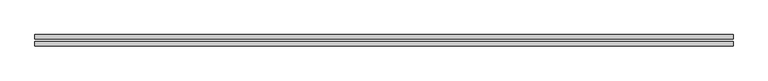
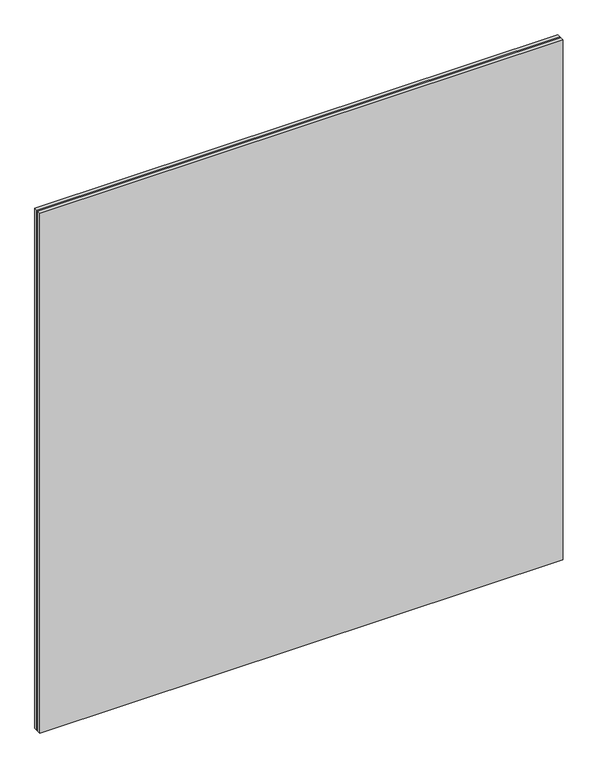
"""IFC4 building model written with IfcOpenShell, lengths in millimetres: plate geometry."""

import ifcopenshell
import ifcopenshell.guid

model = None  # the IFC model being written
_history = None  # IfcOwnerHistory: only IFC2X3 demands one
_inside = {}  # id of a spatial element -> (the spatial element, [elements in it])
_under = {}  # id of a project, library or spatial element -> (it, [spatial elements below it])
_declared = {}  # id of a project -> (the project, [libraries it declares])
_typed = {}  # id of a type object -> (the type object, [elements of that type])
_made_of = {}  # id of a material, layer set ... -> (it, [elements and type objects made of it])


def new_model(schema):
    """Start an empty IFC model of exactly this schema.

    Asked for "IFC4X3", IfcOpenShell would pick the latest addendum, in which some entities
    have other attributes; the version numbers below select the first issue.
    IFC2X3 requires an IfcOwnerHistory on every rooted entity: one is made here for all.
    """
    global model, _history
    if schema == "IFC4X3":
        model = ifcopenshell.file(schema_version=(4, 3, 0, 0))
    else:
        model = ifcopenshell.file(schema=schema)
    _inside.clear()
    _under.clear()
    _declared.clear()
    _typed.clear()
    _made_of.clear()
    _history = None
    if model.schema == "IFC2X3":
        org = make("IfcOrganization", Name="unknown")
        user = make(
            "IfcPersonAndOrganization",
            ThePerson=make("IfcPerson", FamilyName="unknown"),
            TheOrganization=org,
        )
        app = make(
            "IfcApplication",
            ApplicationDeveloper=org,
            Version="unknown",
            ApplicationFullName="unknown",
            ApplicationIdentifier="unknown",
        )
        _history = make(
            "IfcOwnerHistory",
            OwningUser=user,
            OwningApplication=app,
            ChangeAction="ADDED",
            CreationDate=0,
        )
    return model


def make(cls, **values):
    """One entity of the class cls with the attributes given. An attribute that is None is left unset."""
    return model.create_entity(
        cls, **{name: value for name, value in values.items() if value is not None}
    )


def rooted(cls, **values):
    """An entity with a GlobalId (a new one), such as an element, a storey or a relation."""
    return make(cls, GlobalId=ifcopenshell.guid.new(), OwnerHistory=_history, **values)


def si_unit(unit_type, name, prefix=None):
    """IfcSIUnit, for example si_unit("LENGTHUNIT", "METRE", prefix="MILLI")."""
    return make("IfcSIUnit", UnitType=unit_type, Prefix=prefix, Name=name)


def assignment(units):
    """IfcUnitAssignment: the units of a project."""
    return None if units is None else make("IfcUnitAssignment", Units=units)


def point(xyz):
    """IfcCartesianPoint."""
    return None if xyz is None else make("IfcCartesianPoint", Coordinates=xyz)


def direction(xyz):
    """IfcDirection."""
    return None if xyz is None else make("IfcDirection", DirectionRatios=xyz)


def frame(location, z_axis=None, x_axis=None):
    """IfcAxis2Placement3D, a coordinate frame: its origin and axes. An axis left out is left unset."""
    return make(
        "IfcAxis2Placement3D",
        Location=point(location),
        Axis=direction(z_axis),
        RefDirection=direction(x_axis),
    )


def origin():
    """The frame at (0, 0, 0) with its axes left unset."""
    return frame((0.0, 0.0, 0.0))


def origin_with_axes():
    """The frame at (0, 0, 0) with the z axis (0, 0, 1) and the x axis (1, 0, 0) written out."""
    return frame((0.0, 0.0, 0.0), z_axis=(0.0, 0.0, 1.0), x_axis=(1.0, 0.0, 0.0))


def place(relative_to, where):
    """IfcLocalPlacement: puts the frame where relative to a parent placement (None: the world)."""
    return make(
        "IfcLocalPlacement", PlacementRelTo=relative_to, RelativePlacement=where
    )


def context(
    kind, dimensions, precision=None, world=None, true_north=None, identifier=None
):
    """IfcGeometricRepresentationContext, for example the 3D "Model" context."""
    return make(
        "IfcGeometricRepresentationContext",
        ContextIdentifier=identifier,
        ContextType=kind,
        CoordinateSpaceDimension=dimensions,
        Precision=precision,
        WorldCoordinateSystem=world,
        TrueNorth=true_north,
    )


def project(units=None, contexts=None):
    """IfcProject with its units and contexts."""
    return rooted(
        "IfcProject",
        Name="project",
        RepresentationContexts=contexts,
        UnitsInContext=assignment(units),
    )


def spatial(cls, under=None, at=None, **own):
    """A site, building, storey or space (cls), placed at a placement, below another one or the project."""
    s = rooted(cls, ObjectPlacement=at, **own)
    if under is not None:
        _under.setdefault(under.id(), (under, []))[1].append(s)
    return s


def polyline(points):
    """IfcPolyline through the points."""
    return make("IfcPolyline", Points=[point(p) for p in points])


def outline(outer, holes=None, kind="AREA"):
    """IfcArbitraryClosedProfileDef: a profile drawn as a closed curve; with holes, ...WithVoids."""
    if holes is None:
        return make("IfcArbitraryClosedProfileDef", ProfileType=kind, OuterCurve=outer)
    return make(
        "IfcArbitraryProfileDefWithVoids",
        ProfileType=kind,
        OuterCurve=outer,
        InnerCurves=holes,
    )


def extrude(swept, where, along, depth):
    """IfcExtrudedAreaSolid: the profile swept, set in the frame where, extruded along a direction by depth."""
    return make(
        "IfcExtrudedAreaSolid",
        SweptArea=swept,
        Position=where,
        ExtrudedDirection=direction(along),
        Depth=depth,
    )


def shape(context_of_items, identifier, shape_type, items):
    """IfcShapeRepresentation: the items that make up one representation, for example the "Body"."""
    return make(
        "IfcShapeRepresentation",
        ContextOfItems=context_of_items,
        RepresentationIdentifier=identifier,
        RepresentationType=shape_type,
        Items=items,
    )


def source(mapping_origin, context_of_items, identifier, shape_type, items):
    """IfcRepresentationMap: a shape defined once, which mapped items show again and again."""
    return make(
        "IfcRepresentationMap",
        MappingOrigin=mapping_origin,
        MappedRepresentation=shape(context_of_items, identifier, shape_type, items),
    )


def transform(
    local_origin,
    x_axis=None,
    y_axis=None,
    z_axis=None,
    scale=None,
    scale2=None,
    scale3=None,
    uniform=True,
):
    """IfcCartesianTransformationOperator3D, or its non-uniform kind. x_axis, y_axis, z_axis: its Axis1, 2, 3."""
    if uniform:
        return make(
            "IfcCartesianTransformationOperator3D",
            Axis1=direction(x_axis),
            Axis2=direction(y_axis),
            LocalOrigin=point(local_origin),
            Scale=scale,
            Axis3=direction(z_axis),
        )
    return make(
        "IfcCartesianTransformationOperator3DnonUniform",
        Axis1=direction(x_axis),
        Axis2=direction(y_axis),
        LocalOrigin=point(local_origin),
        Scale=scale,
        Axis3=direction(z_axis),
        Scale2=scale2,
        Scale3=scale3,
    )


def mapped(mapping_source, mapping_target):
    """IfcMappedItem: shows the shape of a source again, moved by a transform."""
    return make(
        "IfcMappedItem", MappingSource=mapping_source, MappingTarget=mapping_target
    )


def made_of(thing, what):
    """Note that an element or type object is made of a material, layer set ...; save() writes the relation."""
    if what is not None:
        _made_of.setdefault(what.id(), (what, []))[1].append(thing)
    return thing


def element(
    cls,
    number,
    at=None,
    inside=None,
    cuts=None,
    type_object=None,
    material=None,
    context=None,
    identifier="Body",
    shape_type=None,
    held_by="IfcProductDefinitionShape",
    body=None,
    shapes=None,
    **own,
):
    """One element of the class cls, such as IfcWall. Its Tag is "e" and its number.

    at: its placement. inside: the storey or other place that contains it. cuts: it is an
    opening in that element (IfcRelVoidsElement). A single representation is given by context,
    identifier, shape_type and body (its items); several are given by shapes. held_by: the class
    of the entity that holds the representations. save() writes the other relations.
    """
    e = rooted(cls, Tag="e%d" % number, ObjectPlacement=at, **own)
    if body is not None:
        shapes = [shape(context, identifier, shape_type, body)]
    if shapes is not None:
        e.Representation = make(held_by, Representations=shapes)
    if inside is not None:
        _inside.setdefault(inside.id(), (inside, []))[1].append(e)
    if cuts is not None:
        rooted(
            "IfcRelVoidsElement", RelatingBuildingElement=cuts, RelatedOpeningElement=e
        )
    if type_object is not None:
        _typed.setdefault(type_object.id(), (type_object, []))[1].append(e)
    return made_of(e, material)


def aggregate(whole, parts):
    """IfcRelAggregates: a whole, such as a stair, and the parts it consists of."""
    return rooted("IfcRelAggregates", RelatingObject=whole, RelatedObjects=parts)


def save(model, path):
    """Write the relations noted so far, then the file.

    IfcRelAggregates (storeys below a building ...), IfcRelContainedInSpatialStructure (elements
    in a storey), IfcRelDefinesByType, IfcRelAssociatesMaterial and IfcRelDeclares: one each for
    every whole, place, type object, material and project.
    """
    for whole, parts in _under.values():
        aggregate(whole, parts)
    for where, things in _inside.values():
        rooted(
            "IfcRelContainedInSpatialStructure",
            RelatedElements=things,
            RelatingStructure=where,
        )
    for kind, things in _typed.values():
        rooted("IfcRelDefinesByType", RelatedObjects=things, RelatingType=kind)
    for what, things in _made_of.values():
        rooted("IfcRelAssociatesMaterial", RelatedObjects=things, RelatingMaterial=what)
    for by, libraries in _declared.values():
        rooted("IfcRelDeclares", RelatingContext=by, RelatedDefinitions=libraries)
    model.write(path)


def plate_3948a5fd(model_context):
    return source(origin(), model_context, "Body", "SweptSolid", [
        extrude(outline(polyline([(616.6, -2.0), (616.6, -10.0), (-616.6, -10.0), (-616.6, -2.0), (616.6, -2.0)])), origin_with_axes(), (0.0, 0.0, 1.0), 1295.5),
        extrude(outline(polyline([(616.6, 2.0), (-616.6, 2.0), (-616.6, 10.0), (616.6, 10.0), (616.6, 2.0)])), origin_with_axes(), (0.0, 0.0, 1.0), 1295.5),
    ])


if __name__ == "__main__":
    model = new_model("IFC4")
    model_context = context("Model", 3, world=origin())
    ifc_project = project(units=[si_unit("LENGTHUNIT", "METRE", prefix="MILLI")], contexts=[model_context])
    site = spatial("IfcSite", under=ifc_project)
    building = spatial("IfcBuilding", under=site)
    placement = place(None, origin())
    plate_shape = plate_3948a5fd(model_context)
    element("IfcPlate", 1, at=placement, inside=building, context=model_context, shape_type="MappedRepresentation", body=[
        mapped(plate_shape, transform((0.0, 0.0, 0.0), x_axis=(1.0, 0.0, 0.0), y_axis=(0.0, 1.0, 0.0), z_axis=(0.0, 0.0, 1.0))),
    ])
    save(model, "model.ifc")
